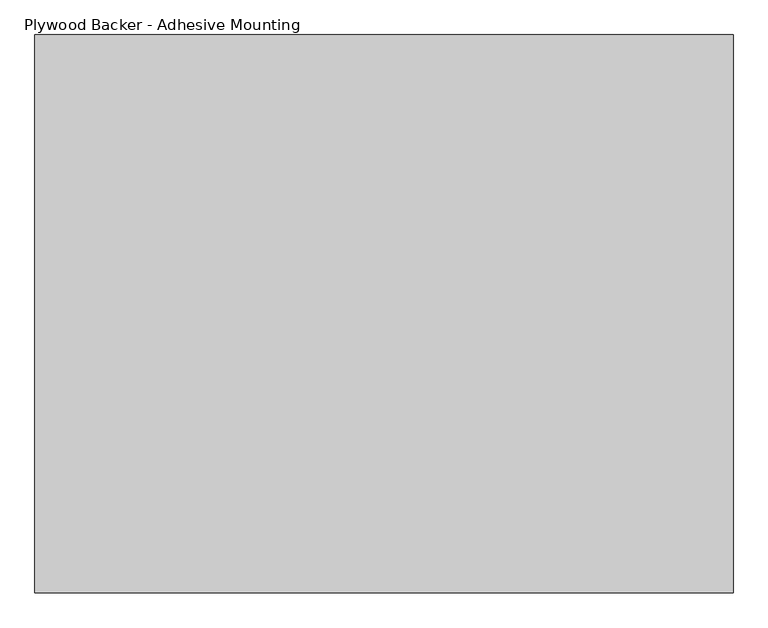
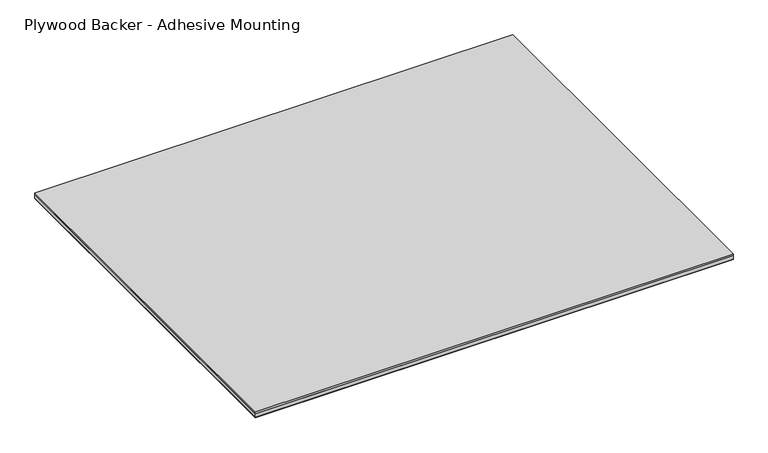
"""IFC4 building model written with IfcOpenShell, lengths in millimetres: proxy geometry, Plywood Backer - Adhesive Mounting."""

import ifcopenshell
import ifcopenshell.guid

model = None  # the IFC model being written
_history = None  # IfcOwnerHistory: only IFC2X3 demands one
_inside = {}  # id of a spatial element -> (the spatial element, [elements in it])
_under = {}  # id of a project, library or spatial element -> (it, [spatial elements below it])
_declared = {}  # id of a project -> (the project, [libraries it declares])
_typed = {}  # id of a type object -> (the type object, [elements of that type])
_made_of = {}  # id of a material, layer set ... -> (it, [elements and type objects made of it])


def new_model(schema):
    """Start an empty IFC model of exactly this schema.

    Asked for "IFC4X3", IfcOpenShell would pick the latest addendum, in which some entities
    have other attributes; the version numbers below select the first issue.
    IFC2X3 requires an IfcOwnerHistory on every rooted entity: one is made here for all.
    """
    global model, _history
    if schema == "IFC4X3":
        model = ifcopenshell.file(schema_version=(4, 3, 0, 0))
    else:
        model = ifcopenshell.file(schema=schema)
    _inside.clear()
    _under.clear()
    _declared.clear()
    _typed.clear()
    _made_of.clear()
    _history = None
    if model.schema == "IFC2X3":
        org = make("IfcOrganization", Name="unknown")
        user = make(
            "IfcPersonAndOrganization",
            ThePerson=make("IfcPerson", FamilyName="unknown"),
            TheOrganization=org,
        )
        app = make(
            "IfcApplication",
            ApplicationDeveloper=org,
            Version="unknown",
            ApplicationFullName="unknown",
            ApplicationIdentifier="unknown",
        )
        _history = make(
            "IfcOwnerHistory",
            OwningUser=user,
            OwningApplication=app,
            ChangeAction="ADDED",
            CreationDate=0,
        )
    return model


def make(cls, **values):
    """One entity of the class cls with the attributes given. An attribute that is None is left unset."""
    return model.create_entity(
        cls, **{name: value for name, value in values.items() if value is not None}
    )


def rooted(cls, **values):
    """An entity with a GlobalId (a new one), such as an element, a storey or a relation."""
    return make(cls, GlobalId=ifcopenshell.guid.new(), OwnerHistory=_history, **values)


def si_unit(unit_type, name, prefix=None):
    """IfcSIUnit, for example si_unit("LENGTHUNIT", "METRE", prefix="MILLI")."""
    return make("IfcSIUnit", UnitType=unit_type, Prefix=prefix, Name=name)


def assignment(units):
    """IfcUnitAssignment: the units of a project."""
    return None if units is None else make("IfcUnitAssignment", Units=units)


def point(xyz):
    """IfcCartesianPoint."""
    return None if xyz is None else make("IfcCartesianPoint", Coordinates=xyz)


def direction(xyz):
    """IfcDirection."""
    return None if xyz is None else make("IfcDirection", DirectionRatios=xyz)


def frame(location, z_axis=None, x_axis=None):
    """IfcAxis2Placement3D, a coordinate frame: its origin and axes. An axis left out is left unset."""
    return make(
        "IfcAxis2Placement3D",
        Location=point(location),
        Axis=direction(z_axis),
        RefDirection=direction(x_axis),
    )


def origin():
    """The frame at (0, 0, 0) with its axes left unset."""
    return frame((0.0, 0.0, 0.0))


def origin_with_axes():
    """The frame at (0, 0, 0) with the z axis (0, 0, 1) and the x axis (1, 0, 0) written out."""
    return frame((0.0, 0.0, 0.0), z_axis=(0.0, 0.0, 1.0), x_axis=(1.0, 0.0, 0.0))


def place(relative_to, where):
    """IfcLocalPlacement: puts the frame where relative to a parent placement (None: the world)."""
    return make(
        "IfcLocalPlacement", PlacementRelTo=relative_to, RelativePlacement=where
    )


def context(
    kind, dimensions, precision=None, world=None, true_north=None, identifier=None
):
    """IfcGeometricRepresentationContext, for example the 3D "Model" context."""
    return make(
        "IfcGeometricRepresentationContext",
        ContextIdentifier=identifier,
        ContextType=kind,
        CoordinateSpaceDimension=dimensions,
        Precision=precision,
        WorldCoordinateSystem=world,
        TrueNorth=true_north,
    )


def project(units=None, contexts=None):
    """IfcProject with its units and contexts."""
    return rooted(
        "IfcProject",
        Name="project",
        RepresentationContexts=contexts,
        UnitsInContext=assignment(units),
    )


def spatial(cls, under=None, at=None, **own):
    """A site, building, storey or space (cls), placed at a placement, below another one or the project."""
    s = rooted(cls, ObjectPlacement=at, **own)
    if under is not None:
        _under.setdefault(under.id(), (under, []))[1].append(s)
    return s


def polyline(points):
    """IfcPolyline through the points."""
    return make("IfcPolyline", Points=[point(p) for p in points])


def outline(outer, holes=None, kind="AREA"):
    """IfcArbitraryClosedProfileDef: a profile drawn as a closed curve; with holes, ...WithVoids."""
    if holes is None:
        return make("IfcArbitraryClosedProfileDef", ProfileType=kind, OuterCurve=outer)
    return make(
        "IfcArbitraryProfileDefWithVoids",
        ProfileType=kind,
        OuterCurve=outer,
        InnerCurves=holes,
    )


def extrude(swept, where, along, depth):
    """IfcExtrudedAreaSolid: the profile swept, set in the frame where, extruded along a direction by depth."""
    return make(
        "IfcExtrudedAreaSolid",
        SweptArea=swept,
        Position=where,
        ExtrudedDirection=direction(along),
        Depth=depth,
    )


def shape(context_of_items, identifier, shape_type, items):
    """IfcShapeRepresentation: the items that make up one representation, for example the "Body"."""
    return make(
        "IfcShapeRepresentation",
        ContextOfItems=context_of_items,
        RepresentationIdentifier=identifier,
        RepresentationType=shape_type,
        Items=items,
    )


def source(mapping_origin, context_of_items, identifier, shape_type, items):
    """IfcRepresentationMap: a shape defined once, which mapped items show again and again."""
    return make(
        "IfcRepresentationMap",
        MappingOrigin=mapping_origin,
        MappedRepresentation=shape(context_of_items, identifier, shape_type, items),
    )


def transform(
    local_origin,
    x_axis=None,
    y_axis=None,
    z_axis=None,
    scale=None,
    scale2=None,
    scale3=None,
    uniform=True,
):
    """IfcCartesianTransformationOperator3D, or its non-uniform kind. x_axis, y_axis, z_axis: its Axis1, 2, 3."""
    if uniform:
        return make(
            "IfcCartesianTransformationOperator3D",
            Axis1=direction(x_axis),
            Axis2=direction(y_axis),
            LocalOrigin=point(local_origin),
            Scale=scale,
            Axis3=direction(z_axis),
        )
    return make(
        "IfcCartesianTransformationOperator3DnonUniform",
        Axis1=direction(x_axis),
        Axis2=direction(y_axis),
        LocalOrigin=point(local_origin),
        Scale=scale,
        Axis3=direction(z_axis),
        Scale2=scale2,
        Scale3=scale3,
    )


def mapped(mapping_source, mapping_target):
    """IfcMappedItem: shows the shape of a source again, moved by a transform."""
    return make(
        "IfcMappedItem", MappingSource=mapping_source, MappingTarget=mapping_target
    )


def made_of(thing, what):
    """Note that an element or type object is made of a material, layer set ...; save() writes the relation."""
    if what is not None:
        _made_of.setdefault(what.id(), (what, []))[1].append(thing)
    return thing


def element(
    cls,
    number,
    at=None,
    inside=None,
    cuts=None,
    type_object=None,
    material=None,
    context=None,
    identifier="Body",
    shape_type=None,
    held_by="IfcProductDefinitionShape",
    body=None,
    shapes=None,
    **own,
):
    """One element of the class cls, such as IfcWall. Its Tag is "e" and its number.

    at: its placement. inside: the storey or other place that contains it. cuts: it is an
    opening in that element (IfcRelVoidsElement). A single representation is given by context,
    identifier, shape_type and body (its items); several are given by shapes. held_by: the class
    of the entity that holds the representations. save() writes the other relations.
    """
    e = rooted(cls, Tag="e%d" % number, ObjectPlacement=at, **own)
    if body is not None:
        shapes = [shape(context, identifier, shape_type, body)]
    if shapes is not None:
        e.Representation = make(held_by, Representations=shapes)
    if inside is not None:
        _inside.setdefault(inside.id(), (inside, []))[1].append(e)
    if cuts is not None:
        rooted(
            "IfcRelVoidsElement", RelatingBuildingElement=cuts, RelatedOpeningElement=e
        )
    if type_object is not None:
        _typed.setdefault(type_object.id(), (type_object, []))[1].append(e)
    return made_of(e, material)


def aggregate(whole, parts):
    """IfcRelAggregates: a whole, such as a stair, and the parts it consists of."""
    return rooted("IfcRelAggregates", RelatingObject=whole, RelatedObjects=parts)


def save(model, path):
    """Write the relations noted so far, then the file.

    IfcRelAggregates (storeys below a building ...), IfcRelContainedInSpatialStructure (elements
    in a storey), IfcRelDefinesByType, IfcRelAssociatesMaterial and IfcRelDeclares: one each for
    every whole, place, type object, material and project.
    """
    for whole, parts in _under.values():
        aggregate(whole, parts)
    for where, things in _inside.values():
        rooted(
            "IfcRelContainedInSpatialStructure",
            RelatedElements=things,
            RelatingStructure=where,
        )
    for kind, things in _typed.values():
        rooted("IfcRelDefinesByType", RelatedObjects=things, RelatingType=kind)
    for what, things in _made_of.values():
        rooted("IfcRelAssociatesMaterial", RelatedObjects=things, RelatingMaterial=what)
    for by, libraries in _declared.values():
        rooted("IfcRelDeclares", RelatingContext=by, RelatedDefinitions=libraries)
    model.write(path)


def plywood_backer_adhesive_mounting_de0ebec9(model_context):
    return source(origin(), model_context, "Body", "SweptSolid", [
        extrude(outline(polyline([(-762.0, 609.6), (762.0, 609.6), (762.0, -609.6), (-762.0, -609.6), (-762.0, 609.6)])), origin_with_axes(), (0.0, 0.0, 1.0), 0.79375),
        extrude(outline(polyline([(762.0, -609.6), (-762.0, -609.6), (-762.0, 609.6), (762.0, 609.6), (762.0, -609.6)])), frame((0.0, 0.0, 13.49375), z_axis=(0.0, 0.0, 1.0), x_axis=(1.0, 0.0, 0.0)), (0.0, 0.0, 1.0), 6.35),
        extrude(outline(polyline([(762.0, 609.6), (762.0, -609.6), (-762.0, -609.6), (-762.0, 609.6), (762.0, 609.6)])), frame((0.0, 0.0, 0.79375), z_axis=(0.0, 0.0, 1.0), x_axis=(1.0, 0.0, 0.0)), (0.0, 0.0, 1.0), 12.7),
    ])


if __name__ == "__main__":
    model = new_model("IFC4")
    model_context = context("Model", 3, world=origin())
    ifc_project = project(units=[si_unit("LENGTHUNIT", "METRE", prefix="MILLI")], contexts=[model_context])
    site = spatial("IfcSite", under=ifc_project)
    building = spatial("IfcBuilding", under=site)
    placement = place(None, origin())
    plywood_backer_adhesive_mounting_shape = plywood_backer_adhesive_mounting_de0ebec9(model_context)
    element("IfcBuildingElementProxy", 1, Name="Plywood Backer - Adhesive Mounting", ObjectType="Plywood Backer - Adhesive Mounting", at=placement, inside=building, context=model_context, shape_type="MappedRepresentation", body=[
        mapped(plywood_backer_adhesive_mounting_shape, transform((0.0, 0.0, 0.0), x_axis=(1.0, 0.0, 0.0), y_axis=(0.0, 1.0, 0.0), z_axis=(0.0, 0.0, 1.0))),
    ])
    save(model, "model.ifc")
